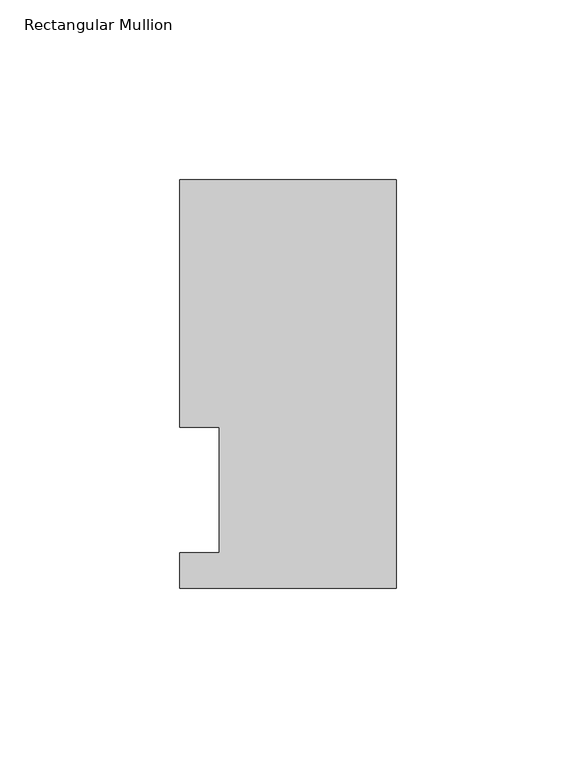
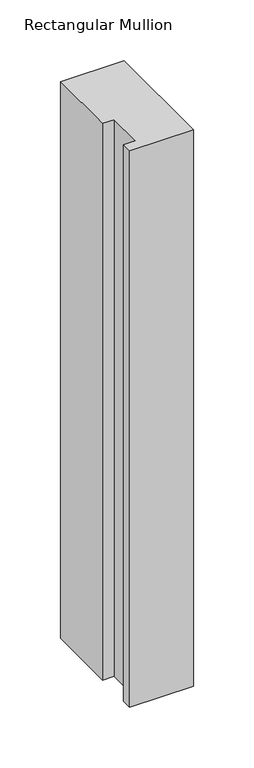
"""IFC4 building model written with IfcOpenShell, lengths in millimetres: member geometry, Rectangular Mullion."""

import ifcopenshell
import ifcopenshell.guid

model = None  # the IFC model being written
_history = None  # IfcOwnerHistory: only IFC2X3 demands one
_inside = {}  # id of a spatial element -> (the spatial element, [elements in it])
_under = {}  # id of a project, library or spatial element -> (it, [spatial elements below it])
_declared = {}  # id of a project -> (the project, [libraries it declares])
_typed = {}  # id of a type object -> (the type object, [elements of that type])
_made_of = {}  # id of a material, layer set ... -> (it, [elements and type objects made of it])


def new_model(schema):
    """Start an empty IFC model of exactly this schema.

    Asked for "IFC4X3", IfcOpenShell would pick the latest addendum, in which some entities
    have other attributes; the version numbers below select the first issue.
    IFC2X3 requires an IfcOwnerHistory on every rooted entity: one is made here for all.
    """
    global model, _history
    if schema == "IFC4X3":
        model = ifcopenshell.file(schema_version=(4, 3, 0, 0))
    else:
        model = ifcopenshell.file(schema=schema)
    _inside.clear()
    _under.clear()
    _declared.clear()
    _typed.clear()
    _made_of.clear()
    _history = None
    if model.schema == "IFC2X3":
        org = make("IfcOrganization", Name="unknown")
        user = make(
            "IfcPersonAndOrganization",
            ThePerson=make("IfcPerson", FamilyName="unknown"),
            TheOrganization=org,
        )
        app = make(
            "IfcApplication",
            ApplicationDeveloper=org,
            Version="unknown",
            ApplicationFullName="unknown",
            ApplicationIdentifier="unknown",
        )
        _history = make(
            "IfcOwnerHistory",
            OwningUser=user,
            OwningApplication=app,
            ChangeAction="ADDED",
            CreationDate=0,
        )
    return model


def make(cls, **values):
    """One entity of the class cls with the attributes given. An attribute that is None is left unset."""
    return model.create_entity(
        cls, **{name: value for name, value in values.items() if value is not None}
    )


def rooted(cls, **values):
    """An entity with a GlobalId (a new one), such as an element, a storey or a relation."""
    return make(cls, GlobalId=ifcopenshell.guid.new(), OwnerHistory=_history, **values)


def si_unit(unit_type, name, prefix=None):
    """IfcSIUnit, for example si_unit("LENGTHUNIT", "METRE", prefix="MILLI")."""
    return make("IfcSIUnit", UnitType=unit_type, Prefix=prefix, Name=name)


def assignment(units):
    """IfcUnitAssignment: the units of a project."""
    return None if units is None else make("IfcUnitAssignment", Units=units)


def point(xyz):
    """IfcCartesianPoint."""
    return None if xyz is None else make("IfcCartesianPoint", Coordinates=xyz)


def direction(xyz):
    """IfcDirection."""
    return None if xyz is None else make("IfcDirection", DirectionRatios=xyz)


def frame(location, z_axis=None, x_axis=None):
    """IfcAxis2Placement3D, a coordinate frame: its origin and axes. An axis left out is left unset."""
    return make(
        "IfcAxis2Placement3D",
        Location=point(location),
        Axis=direction(z_axis),
        RefDirection=direction(x_axis),
    )


def origin():
    """The frame at (0, 0, 0) with its axes left unset."""
    return frame((0.0, 0.0, 0.0))


def place(relative_to, where):
    """IfcLocalPlacement: puts the frame where relative to a parent placement (None: the world)."""
    return make(
        "IfcLocalPlacement", PlacementRelTo=relative_to, RelativePlacement=where
    )


def context(
    kind, dimensions, precision=None, world=None, true_north=None, identifier=None
):
    """IfcGeometricRepresentationContext, for example the 3D "Model" context."""
    return make(
        "IfcGeometricRepresentationContext",
        ContextIdentifier=identifier,
        ContextType=kind,
        CoordinateSpaceDimension=dimensions,
        Precision=precision,
        WorldCoordinateSystem=world,
        TrueNorth=true_north,
    )


def project(units=None, contexts=None):
    """IfcProject with its units and contexts."""
    return rooted(
        "IfcProject",
        Name="project",
        RepresentationContexts=contexts,
        UnitsInContext=assignment(units),
    )


def spatial(cls, under=None, at=None, **own):
    """A site, building, storey or space (cls), placed at a placement, below another one or the project."""
    s = rooted(cls, ObjectPlacement=at, **own)
    if under is not None:
        _under.setdefault(under.id(), (under, []))[1].append(s)
    return s


def polyline(points):
    """IfcPolyline through the points."""
    return make("IfcPolyline", Points=[point(p) for p in points])


def outline(outer, holes=None, kind="AREA"):
    """IfcArbitraryClosedProfileDef: a profile drawn as a closed curve; with holes, ...WithVoids."""
    if holes is None:
        return make("IfcArbitraryClosedProfileDef", ProfileType=kind, OuterCurve=outer)
    return make(
        "IfcArbitraryProfileDefWithVoids",
        ProfileType=kind,
        OuterCurve=outer,
        InnerCurves=holes,
    )


def extrude(swept, where, along, depth):
    """IfcExtrudedAreaSolid: the profile swept, set in the frame where, extruded along a direction by depth."""
    return make(
        "IfcExtrudedAreaSolid",
        SweptArea=swept,
        Position=where,
        ExtrudedDirection=direction(along),
        Depth=depth,
    )


def shape(context_of_items, identifier, shape_type, items):
    """IfcShapeRepresentation: the items that make up one representation, for example the "Body"."""
    return make(
        "IfcShapeRepresentation",
        ContextOfItems=context_of_items,
        RepresentationIdentifier=identifier,
        RepresentationType=shape_type,
        Items=items,
    )


def source(mapping_origin, context_of_items, identifier, shape_type, items):
    """IfcRepresentationMap: a shape defined once, which mapped items show again and again."""
    return make(
        "IfcRepresentationMap",
        MappingOrigin=mapping_origin,
        MappedRepresentation=shape(context_of_items, identifier, shape_type, items),
    )


def transform(
    local_origin,
    x_axis=None,
    y_axis=None,
    z_axis=None,
    scale=None,
    scale2=None,
    scale3=None,
    uniform=True,
):
    """IfcCartesianTransformationOperator3D, or its non-uniform kind. x_axis, y_axis, z_axis: its Axis1, 2, 3."""
    if uniform:
        return make(
            "IfcCartesianTransformationOperator3D",
            Axis1=direction(x_axis),
            Axis2=direction(y_axis),
            LocalOrigin=point(local_origin),
            Scale=scale,
            Axis3=direction(z_axis),
        )
    return make(
        "IfcCartesianTransformationOperator3DnonUniform",
        Axis1=direction(x_axis),
        Axis2=direction(y_axis),
        LocalOrigin=point(local_origin),
        Scale=scale,
        Axis3=direction(z_axis),
        Scale2=scale2,
        Scale3=scale3,
    )


def mapped(mapping_source, mapping_target):
    """IfcMappedItem: shows the shape of a source again, moved by a transform."""
    return make(
        "IfcMappedItem", MappingSource=mapping_source, MappingTarget=mapping_target
    )


def made_of(thing, what):
    """Note that an element or type object is made of a material, layer set ...; save() writes the relation."""
    if what is not None:
        _made_of.setdefault(what.id(), (what, []))[1].append(thing)
    return thing


def element(
    cls,
    number,
    at=None,
    inside=None,
    cuts=None,
    type_object=None,
    material=None,
    context=None,
    identifier="Body",
    shape_type=None,
    held_by="IfcProductDefinitionShape",
    body=None,
    shapes=None,
    **own,
):
    """One element of the class cls, such as IfcWall. Its Tag is "e" and its number.

    at: its placement. inside: the storey or other place that contains it. cuts: it is an
    opening in that element (IfcRelVoidsElement). A single representation is given by context,
    identifier, shape_type and body (its items); several are given by shapes. held_by: the class
    of the entity that holds the representations. save() writes the other relations.
    """
    e = rooted(cls, Tag="e%d" % number, ObjectPlacement=at, **own)
    if body is not None:
        shapes = [shape(context, identifier, shape_type, body)]
    if shapes is not None:
        e.Representation = make(held_by, Representations=shapes)
    if inside is not None:
        _inside.setdefault(inside.id(), (inside, []))[1].append(e)
    if cuts is not None:
        rooted(
            "IfcRelVoidsElement", RelatingBuildingElement=cuts, RelatedOpeningElement=e
        )
    if type_object is not None:
        _typed.setdefault(type_object.id(), (type_object, []))[1].append(e)
    return made_of(e, material)


def aggregate(whole, parts):
    """IfcRelAggregates: a whole, such as a stair, and the parts it consists of."""
    return rooted("IfcRelAggregates", RelatingObject=whole, RelatedObjects=parts)


def save(model, path):
    """Write the relations noted so far, then the file.

    IfcRelAggregates (storeys below a building ...), IfcRelContainedInSpatialStructure (elements
    in a storey), IfcRelDefinesByType, IfcRelAssociatesMaterial and IfcRelDeclares: one each for
    every whole, place, type object, material and project.
    """
    for whole, parts in _under.values():
        aggregate(whole, parts)
    for where, things in _inside.values():
        rooted(
            "IfcRelContainedInSpatialStructure",
            RelatedElements=things,
            RelatingStructure=where,
        )
    for kind, things in _typed.values():
        rooted("IfcRelDefinesByType", RelatedObjects=things, RelatingType=kind)
    for what, things in _made_of.values():
        rooted("IfcRelAssociatesMaterial", RelatedObjects=things, RelatingMaterial=what)
    for by, libraries in _declared.values():
        rooted("IfcRelDeclares", RelatingContext=by, RelatedDefinitions=libraries)
    model.write(path)


def rectangular_mullion_8ec4c92f(model_context):
    return source(origin(), model_context, "Body", "SweptSolid", [
        extrude(outline(polyline([(-60.325, 113.8189875), (0.0, 113.8189875), (0.0, 0.0269875), (-60.3249999, 0.0269875), (-60.3249999, 9.9329875), (-49.2125, 9.9329875), (-49.2125, 44.8579875), (-60.325, 44.8579875), (-60.325, 113.8189875)])), frame((0.0, 0.0, -558.8), z_axis=(0.0, 0.0, 1.0), x_axis=(1.0, 0.0, 0.0)), (0.0, 0.0, 1.0), 558.8),
    ])


if __name__ == "__main__":
    model = new_model("IFC4")
    model_context = context("Model", 3, world=origin())
    ifc_project = project(units=[si_unit("LENGTHUNIT", "METRE", prefix="MILLI")], contexts=[model_context])
    site = spatial("IfcSite", under=ifc_project)
    building = spatial("IfcBuilding", under=site)
    placement = place(None, origin())
    rectangular_mullion_shape = rectangular_mullion_8ec4c92f(model_context)
    element("IfcMember", 1, ObjectType="Rectangular Mullion", at=placement, inside=building, context=model_context, shape_type="MappedRepresentation", body=[
        mapped(rectangular_mullion_shape, transform((0.0, 0.0, 0.0), x_axis=(1.0, 0.0, 0.0), y_axis=(0.0, 1.0, 0.0), z_axis=(0.0, 0.0, 1.0))),
    ])
    save(model, "model.ifc")
